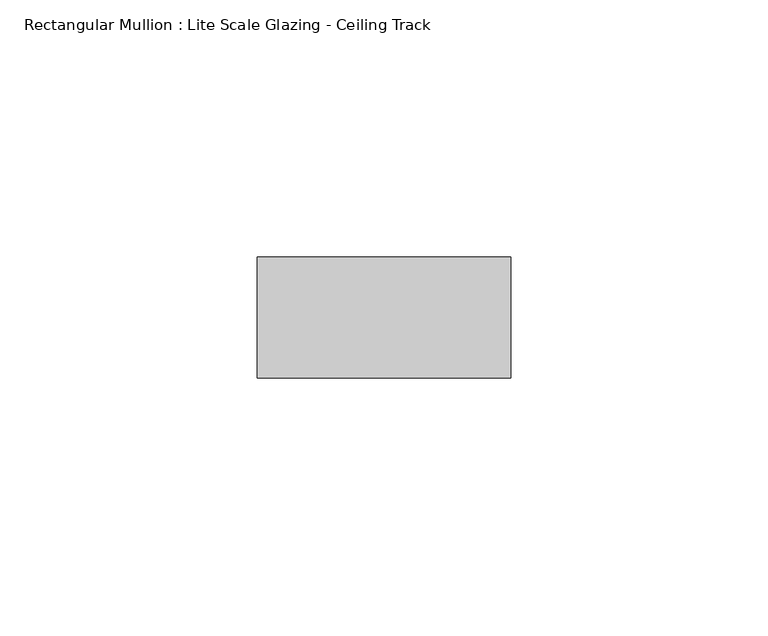
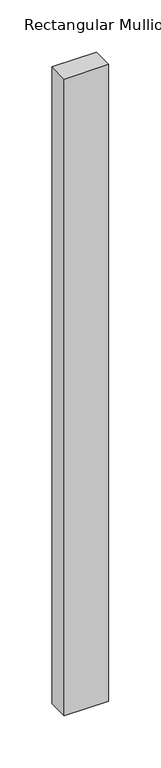
"""IFC4 building model written with IfcOpenShell, lengths in millimetres: member geometry, Rectangular Mullion : Lite Scale Glazing - Ceiling Track."""

import ifcopenshell
import ifcopenshell.guid

model = None  # the IFC model being written
_history = None  # IfcOwnerHistory: only IFC2X3 demands one
_inside = {}  # id of a spatial element -> (the spatial element, [elements in it])
_under = {}  # id of a project, library or spatial element -> (it, [spatial elements below it])
_declared = {}  # id of a project -> (the project, [libraries it declares])
_typed = {}  # id of a type object -> (the type object, [elements of that type])
_made_of = {}  # id of a material, layer set ... -> (it, [elements and type objects made of it])


def new_model(schema):
    """Start an empty IFC model of exactly this schema.

    Asked for "IFC4X3", IfcOpenShell would pick the latest addendum, in which some entities
    have other attributes; the version numbers below select the first issue.
    IFC2X3 requires an IfcOwnerHistory on every rooted entity: one is made here for all.
    """
    global model, _history
    if schema == "IFC4X3":
        model = ifcopenshell.file(schema_version=(4, 3, 0, 0))
    else:
        model = ifcopenshell.file(schema=schema)
    _inside.clear()
    _under.clear()
    _declared.clear()
    _typed.clear()
    _made_of.clear()
    _history = None
    if model.schema == "IFC2X3":
        org = make("IfcOrganization", Name="unknown")
        user = make(
            "IfcPersonAndOrganization",
            ThePerson=make("IfcPerson", FamilyName="unknown"),
            TheOrganization=org,
        )
        app = make(
            "IfcApplication",
            ApplicationDeveloper=org,
            Version="unknown",
            ApplicationFullName="unknown",
            ApplicationIdentifier="unknown",
        )
        _history = make(
            "IfcOwnerHistory",
            OwningUser=user,
            OwningApplication=app,
            ChangeAction="ADDED",
            CreationDate=0,
        )
    return model


def make(cls, **values):
    """One entity of the class cls with the attributes given. An attribute that is None is left unset."""
    return model.create_entity(
        cls, **{name: value for name, value in values.items() if value is not None}
    )


def rooted(cls, **values):
    """An entity with a GlobalId (a new one), such as an element, a storey or a relation."""
    return make(cls, GlobalId=ifcopenshell.guid.new(), OwnerHistory=_history, **values)


def si_unit(unit_type, name, prefix=None):
    """IfcSIUnit, for example si_unit("LENGTHUNIT", "METRE", prefix="MILLI")."""
    return make("IfcSIUnit", UnitType=unit_type, Prefix=prefix, Name=name)


def assignment(units):
    """IfcUnitAssignment: the units of a project."""
    return None if units is None else make("IfcUnitAssignment", Units=units)


def point(xyz):
    """IfcCartesianPoint."""
    return None if xyz is None else make("IfcCartesianPoint", Coordinates=xyz)


def direction(xyz):
    """IfcDirection."""
    return None if xyz is None else make("IfcDirection", DirectionRatios=xyz)


def frame(location, z_axis=None, x_axis=None):
    """IfcAxis2Placement3D, a coordinate frame: its origin and axes. An axis left out is left unset."""
    return make(
        "IfcAxis2Placement3D",
        Location=point(location),
        Axis=direction(z_axis),
        RefDirection=direction(x_axis),
    )


def origin():
    """The frame at (0, 0, 0) with its axes left unset."""
    return frame((0.0, 0.0, 0.0))


def place(relative_to, where):
    """IfcLocalPlacement: puts the frame where relative to a parent placement (None: the world)."""
    return make(
        "IfcLocalPlacement", PlacementRelTo=relative_to, RelativePlacement=where
    )


def context(
    kind, dimensions, precision=None, world=None, true_north=None, identifier=None
):
    """IfcGeometricRepresentationContext, for example the 3D "Model" context."""
    return make(
        "IfcGeometricRepresentationContext",
        ContextIdentifier=identifier,
        ContextType=kind,
        CoordinateSpaceDimension=dimensions,
        Precision=precision,
        WorldCoordinateSystem=world,
        TrueNorth=true_north,
    )


def project(units=None, contexts=None):
    """IfcProject with its units and contexts."""
    return rooted(
        "IfcProject",
        Name="project",
        RepresentationContexts=contexts,
        UnitsInContext=assignment(units),
    )


def spatial(cls, under=None, at=None, **own):
    """A site, building, storey or space (cls), placed at a placement, below another one or the project."""
    s = rooted(cls, ObjectPlacement=at, **own)
    if under is not None:
        _under.setdefault(under.id(), (under, []))[1].append(s)
    return s


def polyline(points):
    """IfcPolyline through the points."""
    return make("IfcPolyline", Points=[point(p) for p in points])


def outline(outer, holes=None, kind="AREA"):
    """IfcArbitraryClosedProfileDef: a profile drawn as a closed curve; with holes, ...WithVoids."""
    if holes is None:
        return make("IfcArbitraryClosedProfileDef", ProfileType=kind, OuterCurve=outer)
    return make(
        "IfcArbitraryProfileDefWithVoids",
        ProfileType=kind,
        OuterCurve=outer,
        InnerCurves=holes,
    )


def extrude(swept, where, along, depth):
    """IfcExtrudedAreaSolid: the profile swept, set in the frame where, extruded along a direction by depth."""
    return make(
        "IfcExtrudedAreaSolid",
        SweptArea=swept,
        Position=where,
        ExtrudedDirection=direction(along),
        Depth=depth,
    )


def shape(context_of_items, identifier, shape_type, items):
    """IfcShapeRepresentation: the items that make up one representation, for example the "Body"."""
    return make(
        "IfcShapeRepresentation",
        ContextOfItems=context_of_items,
        RepresentationIdentifier=identifier,
        RepresentationType=shape_type,
        Items=items,
    )


def source(mapping_origin, context_of_items, identifier, shape_type, items):
    """IfcRepresentationMap: a shape defined once, which mapped items show again and again."""
    return make(
        "IfcRepresentationMap",
        MappingOrigin=mapping_origin,
        MappedRepresentation=shape(context_of_items, identifier, shape_type, items),
    )


def transform(
    local_origin,
    x_axis=None,
    y_axis=None,
    z_axis=None,
    scale=None,
    scale2=None,
    scale3=None,
    uniform=True,
):
    """IfcCartesianTransformationOperator3D, or its non-uniform kind. x_axis, y_axis, z_axis: its Axis1, 2, 3."""
    if uniform:
        return make(
            "IfcCartesianTransformationOperator3D",
            Axis1=direction(x_axis),
            Axis2=direction(y_axis),
            LocalOrigin=point(local_origin),
            Scale=scale,
            Axis3=direction(z_axis),
        )
    return make(
        "IfcCartesianTransformationOperator3DnonUniform",
        Axis1=direction(x_axis),
        Axis2=direction(y_axis),
        LocalOrigin=point(local_origin),
        Scale=scale,
        Axis3=direction(z_axis),
        Scale2=scale2,
        Scale3=scale3,
    )


def mapped(mapping_source, mapping_target):
    """IfcMappedItem: shows the shape of a source again, moved by a transform."""
    return make(
        "IfcMappedItem", MappingSource=mapping_source, MappingTarget=mapping_target
    )


def made_of(thing, what):
    """Note that an element or type object is made of a material, layer set ...; save() writes the relation."""
    if what is not None:
        _made_of.setdefault(what.id(), (what, []))[1].append(thing)
    return thing


def element(
    cls,
    number,
    at=None,
    inside=None,
    cuts=None,
    type_object=None,
    material=None,
    context=None,
    identifier="Body",
    shape_type=None,
    held_by="IfcProductDefinitionShape",
    body=None,
    shapes=None,
    **own,
):
    """One element of the class cls, such as IfcWall. Its Tag is "e" and its number.

    at: its placement. inside: the storey or other place that contains it. cuts: it is an
    opening in that element (IfcRelVoidsElement). A single representation is given by context,
    identifier, shape_type and body (its items); several are given by shapes. held_by: the class
    of the entity that holds the representations. save() writes the other relations.
    """
    e = rooted(cls, Tag="e%d" % number, ObjectPlacement=at, **own)
    if body is not None:
        shapes = [shape(context, identifier, shape_type, body)]
    if shapes is not None:
        e.Representation = make(held_by, Representations=shapes)
    if inside is not None:
        _inside.setdefault(inside.id(), (inside, []))[1].append(e)
    if cuts is not None:
        rooted(
            "IfcRelVoidsElement", RelatingBuildingElement=cuts, RelatedOpeningElement=e
        )
    if type_object is not None:
        _typed.setdefault(type_object.id(), (type_object, []))[1].append(e)
    return made_of(e, material)


def aggregate(whole, parts):
    """IfcRelAggregates: a whole, such as a stair, and the parts it consists of."""
    return rooted("IfcRelAggregates", RelatingObject=whole, RelatedObjects=parts)


def save(model, path):
    """Write the relations noted so far, then the file.

    IfcRelAggregates (storeys below a building ...), IfcRelContainedInSpatialStructure (elements
    in a storey), IfcRelDefinesByType, IfcRelAssociatesMaterial and IfcRelDeclares: one each for
    every whole, place, type object, material and project.
    """
    for whole, parts in _under.values():
        aggregate(whole, parts)
    for where, things in _inside.values():
        rooted(
            "IfcRelContainedInSpatialStructure",
            RelatedElements=things,
            RelatingStructure=where,
        )
    for kind, things in _typed.values():
        rooted("IfcRelDefinesByType", RelatedObjects=things, RelatingType=kind)
    for what, things in _made_of.values():
        rooted("IfcRelAssociatesMaterial", RelatedObjects=things, RelatingMaterial=what)
    for by, libraries in _declared.values():
        rooted("IfcRelDeclares", RelatingContext=by, RelatedDefinitions=libraries)
    model.write(path)


def rectangular_mullion_lite_scale_glazing_ceiling_track_0f0ee0e8(model_context):
    return source(origin(), model_context, "Body", "SweptSolid", [
        extrude(outline(polyline([(-49.276, -11.7474999), (-49.276, 11.7474999), (0.0, 11.7474999), (0.0, -11.7474999), (-49.276, -11.7474999)])), frame((0.0, 0.0, -745.0096843), z_axis=(0.0, 0.0, 1.0), x_axis=(1.0, 0.0, 0.0)), (0.0, 0.0, 1.0), 745.0096843),
    ])


if __name__ == "__main__":
    model = new_model("IFC4")
    model_context = context("Model", 3, world=origin())
    ifc_project = project(units=[si_unit("LENGTHUNIT", "METRE", prefix="MILLI")], contexts=[model_context])
    site = spatial("IfcSite", under=ifc_project)
    building = spatial("IfcBuilding", under=site)
    placement = place(None, origin())
    rectangular_mullion_lite_scale_glazing_ceiling_track_shape = rectangular_mullion_lite_scale_glazing_ceiling_track_0f0ee0e8(model_context)
    element("IfcMember", 1, ObjectType="Rectangular Mullion : Lite Scale Glazing - Ceiling Track", at=placement, inside=building, context=model_context, shape_type="MappedRepresentation", body=[
        mapped(rectangular_mullion_lite_scale_glazing_ceiling_track_shape, transform((0.0, 0.0, 0.0), x_axis=(1.0, 0.0, 0.0), y_axis=(0.0, 1.0, 0.0), z_axis=(0.0, 0.0, 1.0))),
    ])
    save(model, "model.ifc")
